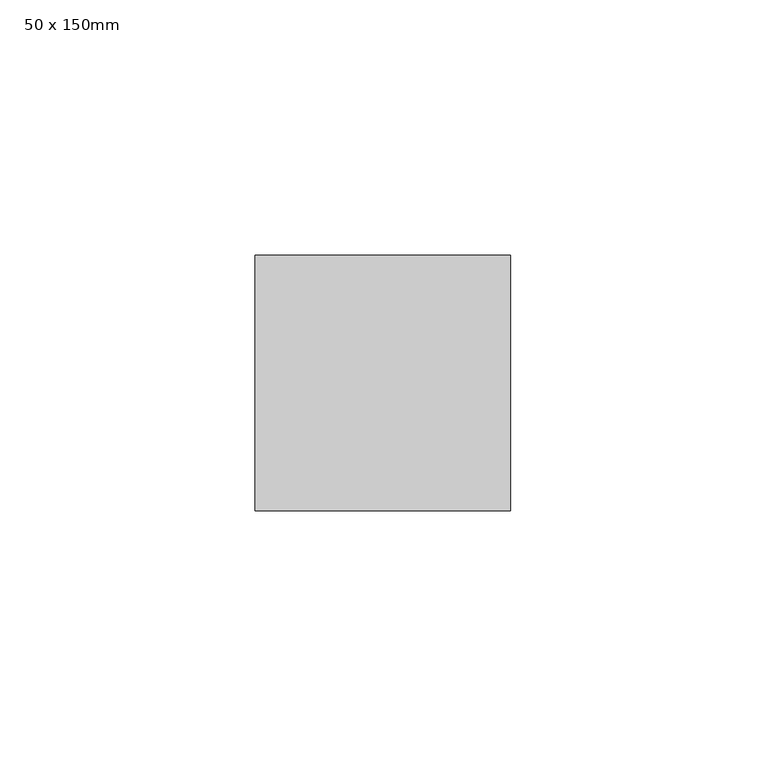
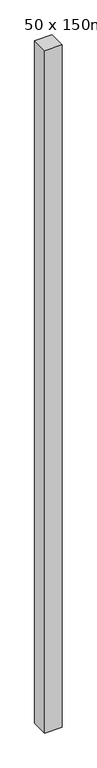
"""IFC4 building model written with IfcOpenShell, lengths in millimetres: member geometry, 50 x 150mm."""

from ifc_helpers import new_model, si_unit, frame, origin, place, context, project, spatial, polyline, outline, extrude, source, transform, mapped, element, save


def member_50_x_150mm_4308a064(model_context):
    return source(origin(), model_context, "Body", "SweptSolid", [
        extrude(outline(polyline([(25.0, 25.0), (25.0, -25.0), (-25.0, -25.0), (-25.0, 25.0), (25.0, 25.0)])), frame((0.0, 0.0, -2075.0), z_axis=(0.0, 0.0, 1.0), x_axis=(1.0, 0.0, 0.0)), (0.0, 0.0, 1.0), 2075.0),
    ])


if __name__ == "__main__":
    model = new_model("IFC4")
    model_context = context("Model", 3, world=origin())
    ifc_project = project(units=[si_unit("LENGTHUNIT", "METRE", prefix="MILLI")], contexts=[model_context])
    site = spatial("IfcSite", under=ifc_project)
    building = spatial("IfcBuilding", under=site)
    placement = place(None, origin())
    member_50_x_150mm_shape = member_50_x_150mm_4308a064(model_context)
    element("IfcMember", 1, ObjectType="50 x 150mm", at=placement, inside=building, context=model_context, shape_type="MappedRepresentation", body=[
        mapped(member_50_x_150mm_shape, transform((0.0, 0.0, 0.0), x_axis=(1.0, 0.0, 0.0), y_axis=(0.0, 1.0, 0.0), z_axis=(0.0, 0.0, 1.0))),
    ])
    save(model, "model.ifc")
